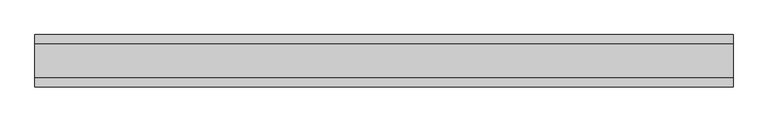
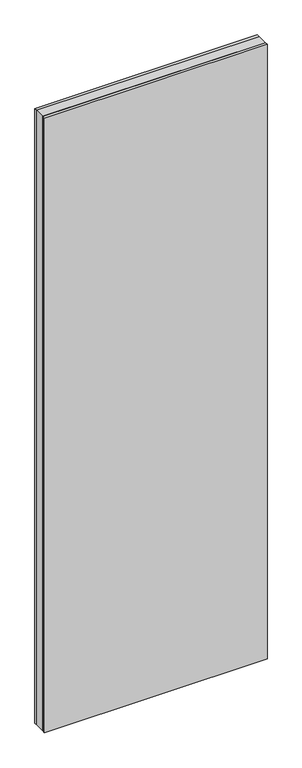
"""IFC4 building model written with IfcOpenShell, lengths in millimetres: plate geometry."""

import ifcopenshell
import ifcopenshell.guid

model = None  # the IFC model being written
_history = None  # IfcOwnerHistory: only IFC2X3 demands one
_inside = {}  # id of a spatial element -> (the spatial element, [elements in it])
_under = {}  # id of a project, library or spatial element -> (it, [spatial elements below it])
_declared = {}  # id of a project -> (the project, [libraries it declares])
_typed = {}  # id of a type object -> (the type object, [elements of that type])
_made_of = {}  # id of a material, layer set ... -> (it, [elements and type objects made of it])


def new_model(schema):
    """Start an empty IFC model of exactly this schema.

    Asked for "IFC4X3", IfcOpenShell would pick the latest addendum, in which some entities
    have other attributes; the version numbers below select the first issue.
    IFC2X3 requires an IfcOwnerHistory on every rooted entity: one is made here for all.
    """
    global model, _history
    if schema == "IFC4X3":
        model = ifcopenshell.file(schema_version=(4, 3, 0, 0))
    else:
        model = ifcopenshell.file(schema=schema)
    _inside.clear()
    _under.clear()
    _declared.clear()
    _typed.clear()
    _made_of.clear()
    _history = None
    if model.schema == "IFC2X3":
        org = make("IfcOrganization", Name="unknown")
        user = make(
            "IfcPersonAndOrganization",
            ThePerson=make("IfcPerson", FamilyName="unknown"),
            TheOrganization=org,
        )
        app = make(
            "IfcApplication",
            ApplicationDeveloper=org,
            Version="unknown",
            ApplicationFullName="unknown",
            ApplicationIdentifier="unknown",
        )
        _history = make(
            "IfcOwnerHistory",
            OwningUser=user,
            OwningApplication=app,
            ChangeAction="ADDED",
            CreationDate=0,
        )
    return model


def make(cls, **values):
    """One entity of the class cls with the attributes given. An attribute that is None is left unset."""
    return model.create_entity(
        cls, **{name: value for name, value in values.items() if value is not None}
    )


def rooted(cls, **values):
    """An entity with a GlobalId (a new one), such as an element, a storey or a relation."""
    return make(cls, GlobalId=ifcopenshell.guid.new(), OwnerHistory=_history, **values)


def si_unit(unit_type, name, prefix=None):
    """IfcSIUnit, for example si_unit("LENGTHUNIT", "METRE", prefix="MILLI")."""
    return make("IfcSIUnit", UnitType=unit_type, Prefix=prefix, Name=name)


def assignment(units):
    """IfcUnitAssignment: the units of a project."""
    return None if units is None else make("IfcUnitAssignment", Units=units)


def point(xyz):
    """IfcCartesianPoint."""
    return None if xyz is None else make("IfcCartesianPoint", Coordinates=xyz)


def direction(xyz):
    """IfcDirection."""
    return None if xyz is None else make("IfcDirection", DirectionRatios=xyz)


def frame(location, z_axis=None, x_axis=None):
    """IfcAxis2Placement3D, a coordinate frame: its origin and axes. An axis left out is left unset."""
    return make(
        "IfcAxis2Placement3D",
        Location=point(location),
        Axis=direction(z_axis),
        RefDirection=direction(x_axis),
    )


def origin():
    """The frame at (0, 0, 0) with its axes left unset."""
    return frame((0.0, 0.0, 0.0))


def origin_with_axes():
    """The frame at (0, 0, 0) with the z axis (0, 0, 1) and the x axis (1, 0, 0) written out."""
    return frame((0.0, 0.0, 0.0), z_axis=(0.0, 0.0, 1.0), x_axis=(1.0, 0.0, 0.0))


def place(relative_to, where):
    """IfcLocalPlacement: puts the frame where relative to a parent placement (None: the world)."""
    return make(
        "IfcLocalPlacement", PlacementRelTo=relative_to, RelativePlacement=where
    )


def context(
    kind, dimensions, precision=None, world=None, true_north=None, identifier=None
):
    """IfcGeometricRepresentationContext, for example the 3D "Model" context."""
    return make(
        "IfcGeometricRepresentationContext",
        ContextIdentifier=identifier,
        ContextType=kind,
        CoordinateSpaceDimension=dimensions,
        Precision=precision,
        WorldCoordinateSystem=world,
        TrueNorth=true_north,
    )


def project(units=None, contexts=None):
    """IfcProject with its units and contexts."""
    return rooted(
        "IfcProject",
        Name="project",
        RepresentationContexts=contexts,
        UnitsInContext=assignment(units),
    )


def spatial(cls, under=None, at=None, **own):
    """A site, building, storey or space (cls), placed at a placement, below another one or the project."""
    s = rooted(cls, ObjectPlacement=at, **own)
    if under is not None:
        _under.setdefault(under.id(), (under, []))[1].append(s)
    return s


def polyline(points):
    """IfcPolyline through the points."""
    return make("IfcPolyline", Points=[point(p) for p in points])


def outline(outer, holes=None, kind="AREA"):
    """IfcArbitraryClosedProfileDef: a profile drawn as a closed curve; with holes, ...WithVoids."""
    if holes is None:
        return make("IfcArbitraryClosedProfileDef", ProfileType=kind, OuterCurve=outer)
    return make(
        "IfcArbitraryProfileDefWithVoids",
        ProfileType=kind,
        OuterCurve=outer,
        InnerCurves=holes,
    )


def extrude(swept, where, along, depth):
    """IfcExtrudedAreaSolid: the profile swept, set in the frame where, extruded along a direction by depth."""
    return make(
        "IfcExtrudedAreaSolid",
        SweptArea=swept,
        Position=where,
        ExtrudedDirection=direction(along),
        Depth=depth,
    )


def shape(context_of_items, identifier, shape_type, items):
    """IfcShapeRepresentation: the items that make up one representation, for example the "Body"."""
    return make(
        "IfcShapeRepresentation",
        ContextOfItems=context_of_items,
        RepresentationIdentifier=identifier,
        RepresentationType=shape_type,
        Items=items,
    )


def source(mapping_origin, context_of_items, identifier, shape_type, items):
    """IfcRepresentationMap: a shape defined once, which mapped items show again and again."""
    return make(
        "IfcRepresentationMap",
        MappingOrigin=mapping_origin,
        MappedRepresentation=shape(context_of_items, identifier, shape_type, items),
    )


def transform(
    local_origin,
    x_axis=None,
    y_axis=None,
    z_axis=None,
    scale=None,
    scale2=None,
    scale3=None,
    uniform=True,
):
    """IfcCartesianTransformationOperator3D, or its non-uniform kind. x_axis, y_axis, z_axis: its Axis1, 2, 3."""
    if uniform:
        return make(
            "IfcCartesianTransformationOperator3D",
            Axis1=direction(x_axis),
            Axis2=direction(y_axis),
            LocalOrigin=point(local_origin),
            Scale=scale,
            Axis3=direction(z_axis),
        )
    return make(
        "IfcCartesianTransformationOperator3DnonUniform",
        Axis1=direction(x_axis),
        Axis2=direction(y_axis),
        LocalOrigin=point(local_origin),
        Scale=scale,
        Axis3=direction(z_axis),
        Scale2=scale2,
        Scale3=scale3,
    )


def mapped(mapping_source, mapping_target):
    """IfcMappedItem: shows the shape of a source again, moved by a transform."""
    return make(
        "IfcMappedItem", MappingSource=mapping_source, MappingTarget=mapping_target
    )


def made_of(thing, what):
    """Note that an element or type object is made of a material, layer set ...; save() writes the relation."""
    if what is not None:
        _made_of.setdefault(what.id(), (what, []))[1].append(thing)
    return thing


def element(
    cls,
    number,
    at=None,
    inside=None,
    cuts=None,
    type_object=None,
    material=None,
    context=None,
    identifier="Body",
    shape_type=None,
    held_by="IfcProductDefinitionShape",
    body=None,
    shapes=None,
    **own,
):
    """One element of the class cls, such as IfcWall. Its Tag is "e" and its number.

    at: its placement. inside: the storey or other place that contains it. cuts: it is an
    opening in that element (IfcRelVoidsElement). A single representation is given by context,
    identifier, shape_type and body (its items); several are given by shapes. held_by: the class
    of the entity that holds the representations. save() writes the other relations.
    """
    e = rooted(cls, Tag="e%d" % number, ObjectPlacement=at, **own)
    if body is not None:
        shapes = [shape(context, identifier, shape_type, body)]
    if shapes is not None:
        e.Representation = make(held_by, Representations=shapes)
    if inside is not None:
        _inside.setdefault(inside.id(), (inside, []))[1].append(e)
    if cuts is not None:
        rooted(
            "IfcRelVoidsElement", RelatingBuildingElement=cuts, RelatedOpeningElement=e
        )
    if type_object is not None:
        _typed.setdefault(type_object.id(), (type_object, []))[1].append(e)
    return made_of(e, material)


def aggregate(whole, parts):
    """IfcRelAggregates: a whole, such as a stair, and the parts it consists of."""
    return rooted("IfcRelAggregates", RelatingObject=whole, RelatedObjects=parts)


def save(model, path):
    """Write the relations noted so far, then the file.

    IfcRelAggregates (storeys below a building ...), IfcRelContainedInSpatialStructure (elements
    in a storey), IfcRelDefinesByType, IfcRelAssociatesMaterial and IfcRelDeclares: one each for
    every whole, place, type object, material and project.
    """
    for whole, parts in _under.values():
        aggregate(whole, parts)
    for where, things in _inside.values():
        rooted(
            "IfcRelContainedInSpatialStructure",
            RelatedElements=things,
            RelatingStructure=where,
        )
    for kind, things in _typed.values():
        rooted("IfcRelDefinesByType", RelatedObjects=things, RelatingType=kind)
    for what, things in _made_of.values():
        rooted("IfcRelAssociatesMaterial", RelatedObjects=things, RelatingMaterial=what)
    for by, libraries in _declared.values():
        rooted("IfcRelDeclares", RelatingContext=by, RelatedDefinitions=libraries)
    model.write(path)


def plate_9da348f2(model_context):
    return source(origin(), model_context, "Body", "SweptSolid", [
        extrude(outline(polyline([(498.9415345, 24.2), (498.9415345, -24.2), (-498.9415345, -24.2), (-498.9415345, 24.2), (498.9415345, 24.2)])), origin_with_axes(), (0.0, 0.0, 1.0), 2915.0),
        extrude(outline(polyline([(498.9415345, 37.2), (498.9415345, 24.2), (-498.9415345, 24.2), (-498.9415345, 37.2), (498.9415345, 37.2)])), origin_with_axes(), (0.0, 0.0, 1.0), 2915.0),
        extrude(outline(polyline([(-498.9415345, -37.2), (-498.9415345, -24.2), (498.9415345, -24.2), (498.9415345, -37.2), (-498.9415345, -37.2)])), origin_with_axes(), (0.0, 0.0, 1.0), 2915.0),
    ])


if __name__ == "__main__":
    model = new_model("IFC4")
    model_context = context("Model", 3, world=origin())
    ifc_project = project(units=[si_unit("LENGTHUNIT", "METRE", prefix="MILLI")], contexts=[model_context])
    site = spatial("IfcSite", under=ifc_project)
    building = spatial("IfcBuilding", under=site)
    placement = place(None, origin())
    plate_shape = plate_9da348f2(model_context)
    element("IfcPlate", 1, at=placement, inside=building, context=model_context, shape_type="MappedRepresentation", body=[
        mapped(plate_shape, transform((0.0, 0.0, 0.0), x_axis=(1.0, 0.0, 0.0), y_axis=(0.0, 1.0, 0.0), z_axis=(0.0, 0.0, 1.0))),
    ])
    save(model, "model.ifc")
